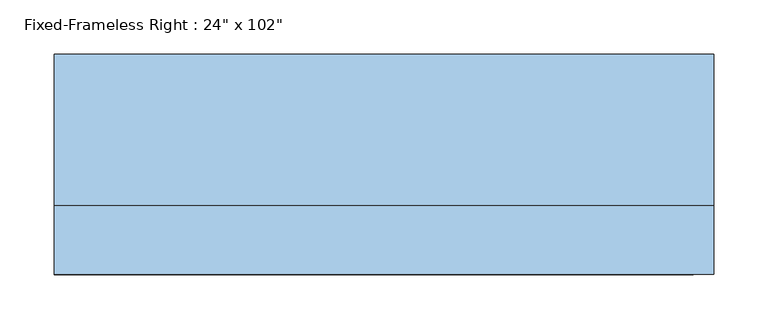
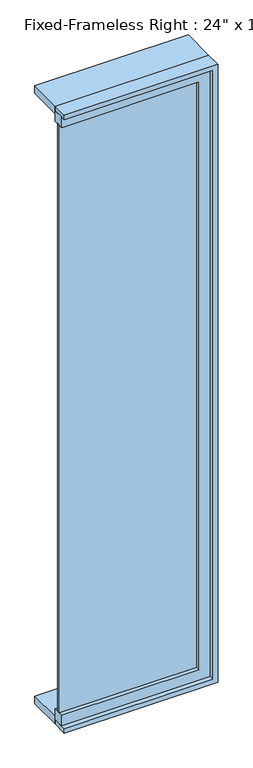
"""IFC4 building model written with IfcOpenShell, lengths in millimetres: window geometry."""

from ifc_helpers import new_model, si_unit, frame, origin, place, context, project, spatial, polyline, outline, extrude, source, transform, mapped, element, save


def window_f5247f4d(model_context):
    return source(origin(), model_context, "Body", "SweptSolid", [
        extrude(outline(polyline([(203.2, -53.975), (203.2, -66.675), (-342.9, -66.675), (-342.9, -53.975), (203.2, -53.975)])), frame((0.0, 0.0, 368.3), z_axis=(0.0, 0.0, 1.0), x_axis=(1.0, 0.0, 0.0)), (0.0, 0.0, 1.0), 2463.8),
        extrude(outline(polyline([(2876.55, -342.9), (2832.1, -342.9), (2832.1, 203.2), (368.3, 203.2), (368.3, -342.9), (323.85, -342.9), (323.85, 247.65), (2876.55, 247.65), (2876.55, -342.9)])), frame((0.0, -82.55, 0.0), z_axis=(0.0, 1.0, 0.0), x_axis=(0.0, 0.0, 1.0)), (0.0, 0.0, 1.0), 44.45),
        extrude(outline(polyline([(2895.6, -342.9), (2863.85, -342.9), (2863.85, 234.95), (336.55, 234.95), (336.55, -342.9), (304.8, -342.9), (304.8, 266.7), (2895.6, 266.7), (2895.6, -342.9)])), frame((0.0, -38.1, 0.0), z_axis=(0.0, 1.0, 0.0), x_axis=(0.0, 0.0, 1.0)), (0.0, 0.0, 1.0), 139.7),
        extrude(outline(polyline([(2895.6, 266.7), (2895.6, -342.9), (2876.55, -342.9), (2876.55, 247.65), (323.85, 247.65), (323.85, -342.9), (304.8, -342.9), (304.8, 266.7), (2895.6, 266.7)])), frame((0.0, -101.6, 0.0), z_axis=(0.0, 1.0, 0.0), x_axis=(0.0, 0.0, 1.0)), (0.0, 0.0, 1.0), 63.5),
    ])


if __name__ == "__main__":
    model = new_model("IFC4")
    model_context = context("Model", 3, world=origin())
    ifc_project = project(units=[si_unit("LENGTHUNIT", "METRE", prefix="MILLI")], contexts=[model_context])
    site = spatial("IfcSite", under=ifc_project)
    building = spatial("IfcBuilding", under=site)
    placement = place(None, origin())
    window_shape = window_f5247f4d(model_context)
    element("IfcWindow", 1, ObjectType="Fixed-Frameless Right : 24\" x 102\"", at=placement, inside=building, context=model_context, shape_type="MappedRepresentation", body=[
        mapped(window_shape, transform((0.0, 0.0, 0.0), x_axis=(1.0, 0.0, 0.0), y_axis=(0.0, 1.0, 0.0), z_axis=(0.0, 0.0, 1.0))),
    ])
    save(model, "model.ifc")
